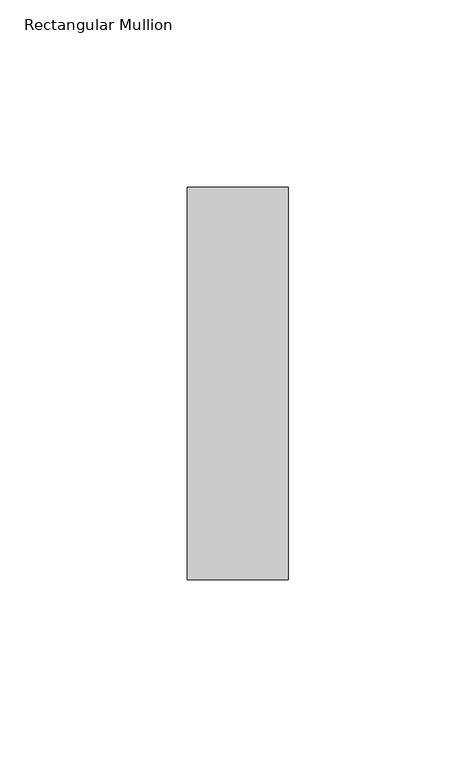
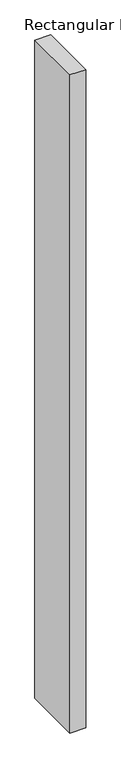
"""IFC4 building model written with IfcOpenShell, lengths in millimetres: member geometry, Rectangular Mullion."""

from ifc_helpers import new_model, si_unit, frame, origin, place, context, project, spatial, polyline, outline, extrude, source, transform, mapped, element, save


def rectangular_mullion_2d1168c3(model_context):
    return source(origin(), model_context, "Body", "SweptSolid", [
        extrude(outline(polyline([(0.0, 52.3975), (0.0, -52.3975), (-27.0, -52.3975), (-27.0, 52.3975), (0.0, 52.3975)])), frame((0.0, 0.0, -1200.0), z_axis=(0.0, 0.0, 1.0), x_axis=(1.0, 0.0, 0.0)), (0.0, 0.0, 1.0), 1200.0),
    ])


if __name__ == "__main__":
    model = new_model("IFC4")
    model_context = context("Model", 3, world=origin())
    ifc_project = project(units=[si_unit("LENGTHUNIT", "METRE", prefix="MILLI")], contexts=[model_context])
    site = spatial("IfcSite", under=ifc_project)
    building = spatial("IfcBuilding", under=site)
    placement = place(None, origin())
    rectangular_mullion_shape = rectangular_mullion_2d1168c3(model_context)
    element("IfcMember", 1, ObjectType="Rectangular Mullion", at=placement, inside=building, context=model_context, shape_type="MappedRepresentation", body=[
        mapped(rectangular_mullion_shape, transform((0.0, 0.0, 0.0), x_axis=(1.0, 0.0, 0.0), y_axis=(0.0, 1.0, 0.0), z_axis=(0.0, 0.0, 1.0))),
    ])
    save(model, "model.ifc")
